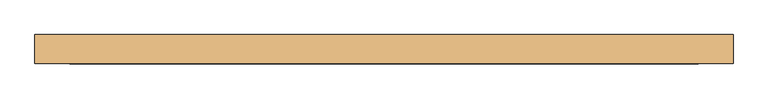
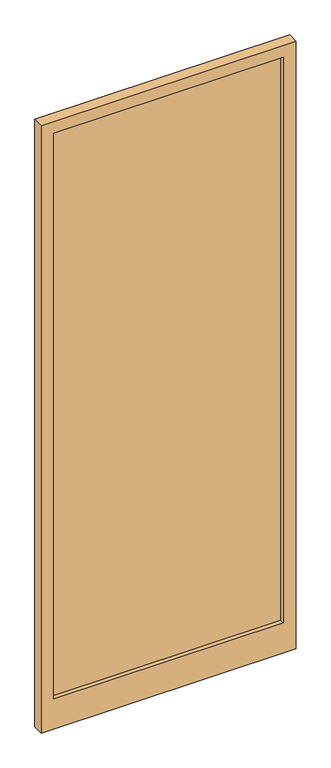
"""IFC4 building model written with IfcOpenShell, lengths in millimetres: door geometry."""

from ifc_helpers import new_model, si_unit, frame, origin, place, context, project, spatial, polyline, outline, extrude, source, transform, mapped, element, save


def door_3cdcbbb8(model_context):
    return source(origin(), model_context, "Body", "SweptSolid", [
        extrude(outline(polyline([(540.0, -5.0), (-540.0, -5.0), (-540.0, 5.0), (540.0, 5.0), (540.0, -5.0)])), frame((0.0, 0.0, 180.0), z_axis=(0.0, 0.0, 1.0), x_axis=(1.0, 0.0, 0.0)), (0.0, 0.0, 1.0), 2810.0),
        extrude(outline(polyline([(3050.0, 600.0), (3050.0, -600.0), (30.0, -600.0), (30.0, 600.0), (3050.0, 600.0)]), holes=[polyline([(2990.0, 540.0), (180.0, 540.0), (180.0, -540.0), (2990.0, -540.0), (2990.0, 540.0)])]), frame((0.0, -25.0, 0.0), z_axis=(0.0, 1.0, 0.0), x_axis=(0.0, 0.0, 1.0)), (0.0, 0.0, 1.0), 50.0),
    ])


if __name__ == "__main__":
    model = new_model("IFC4")
    model_context = context("Model", 3, world=origin())
    ifc_project = project(units=[si_unit("LENGTHUNIT", "METRE", prefix="MILLI")], contexts=[model_context])
    site = spatial("IfcSite", under=ifc_project)
    building = spatial("IfcBuilding", under=site)
    placement = place(None, origin())
    door_shape = door_3cdcbbb8(model_context)
    element("IfcDoor", 1, at=placement, inside=building, context=model_context, shape_type="MappedRepresentation", body=[
        mapped(door_shape, transform((0.0, 0.0, 0.0), x_axis=(1.0, 0.0, 0.0), y_axis=(0.0, 1.0, 0.0), z_axis=(0.0, 0.0, 1.0))),
    ])
    save(model, "model.ifc")
